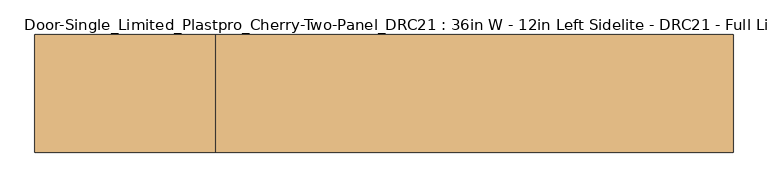
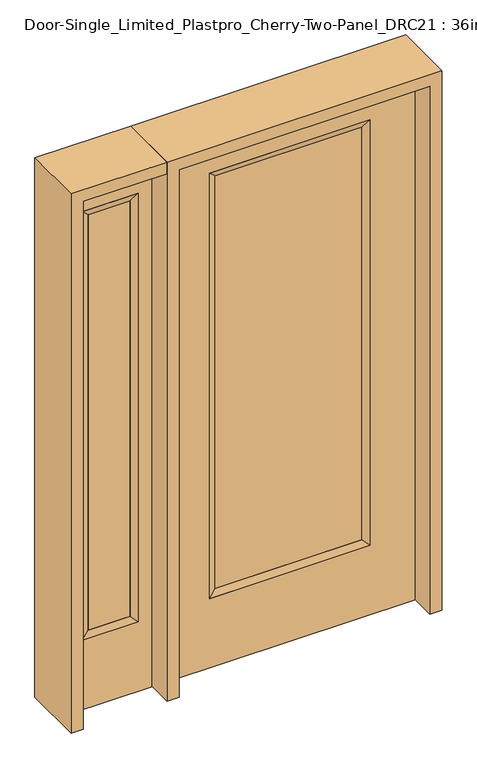
"""IFC4 building model written with IfcOpenShell, lengths in millimetres: door geometry, Door-Single_Limited_Plastpro_Cherry-Two-Panel_DRC21 : 36in W - 12in Left Sidelite - DRC21 - Full Lite - 80in."""

from ifc_helpers import new_model, si_unit, frame, origin, place, context, project, spatial, polyline, outline, extrude, faceted_brep, source, transform, mapped, element, save


def door_single_limited_plastpro_cherry_two_panel_drc21_36in_w_5aa1ccdf(model_context):
    return source(origin(), model_context, "Body", "SolidModel", [
        extrude(outline(polyline([(266.7, -12.7), (-266.7, -12.7), (-266.7, 12.7), (266.7, 12.7), (266.7, -12.7)])), frame((0.0, 0.0, 284.95625), z_axis=(0.0, 0.0, 1.0), x_axis=(1.0, 0.0, 0.0)), (0.0, 0.0, 1.0), 1607.34375),
        faceted_brep([(-292.1, -22.225, 1905.0), (-292.1, 22.225, 1905.0), (-292.1, 22.225, 266.7), (-292.1, -22.225, 266.7), (292.1, 22.225, 266.7), (292.1, -22.225, 266.7), (-266.7, 12.7, 292.1), (266.7, 12.7, 292.1), (292.1, 22.225, 1905.0), (292.1, -22.225, 1905.0), (-266.7, -12.7, 292.1), (266.7, -12.7, 292.1), (-266.7, -12.7, 1879.6), (266.7, -12.7, 1879.6), (-266.7, 12.7, 1879.6), (266.7, 12.7, 1879.6)], [[[0, 1, 2, 3]], [[3, 2, 4, 5]], [[2, 6, 7, 4]], [[5, 4, 8, 9]], [[10, 3, 5, 11]], [[12, 0, 3, 10]], [[11, 5, 9, 13]], [[6, 10, 11, 7]], [[14, 12, 10, 6]], [[7, 11, 13, 15]], [[1, 14, 6, 2]], [[4, 7, 15, 8]], [[9, 8, 1, 0]], [[13, 9, 0, 12]], [[15, 13, 12, 14]], [[8, 15, 14, 1]]]),
        extrude(outline(polyline([(2032.0, 457.2), (2032.0, -457.2), (0.0, -457.2), (0.0, 457.2), (2032.0, 457.2)]), holes=[polyline([(1905.0, -292.1), (1905.0, 292.1), (266.7, 292.1), (266.7, -292.1), (1905.0, -292.1)])]), frame((0.0, -22.225, 0.0), z_axis=(0.0, 1.0, 0.0), x_axis=(0.0, 0.0, 1.0)), (0.0, 0.0, 1.0), 44.45),
        faceted_brep([(-552.45, 20.6375, 1917.7), (-552.45, -20.6375, 1917.7), (-552.45, -20.6375, 266.7), (-552.45, 20.6375, 266.7), (-577.85, -12.7, 1892.3), (-577.85, -12.7, 292.1), (-755.65, -20.6375, 266.7), (-755.65, 20.6375, 266.7), (-577.85, 12.7, 1892.3), (-577.85, 12.7, 292.1), (-730.25, 12.7, 292.1), (-730.25, -12.7, 292.1), (-755.65, -20.6375, 1917.7), (-755.65, 20.6375, 1917.7), (-730.25, 12.7, 1892.3), (-730.25, -12.7, 1892.3)], [[[0, 1, 2, 3]], [[1, 4, 5, 2]], [[3, 2, 6, 7]], [[8, 0, 3, 9]], [[9, 3, 7, 10]], [[4, 8, 9, 5]], [[5, 9, 10, 11]], [[2, 5, 11, 6]], [[7, 6, 12, 13]], [[10, 7, 13, 14]], [[11, 10, 14, 15]], [[6, 11, 15, 12]], [[13, 12, 1, 0]], [[14, 13, 0, 8]], [[15, 14, 8, 4]], [[12, 15, 4, 1]]]),
        extrude(outline(polyline([(0.0, -806.45), (0.0, -501.65), (2032.0, -501.65), (2032.0, -806.45), (0.0, -806.45)]), holes=[polyline([(1917.7, -552.45), (266.7, -552.45), (266.7, -755.65), (1917.7, -755.65), (1917.7, -552.45)])]), frame((0.0, -20.6375, 0.0), z_axis=(0.0, 1.0, 0.0), x_axis=(0.0, 0.0, 1.0)), (0.0, 0.0, 1.0), 41.275),
        extrude(outline(polyline([(-577.85, -12.7), (-730.25, -12.7), (-730.25, 12.7), (-577.85, 12.7), (-577.85, -12.7)])), frame((0.0, 0.0, 292.1), z_axis=(0.0, 0.0, 1.0), x_axis=(1.0, 0.0, 0.0)), (0.0, 0.0, 1.0), 1600.2),
        extrude(outline(polyline([(2032.0, -501.65), (2076.45, -501.65), (2076.45, -850.9), (0.0, -850.9), (0.0, -806.45), (2032.0, -806.45), (2032.0, -501.65)])), frame((0.0, -114.3, 0.0), z_axis=(0.0, 1.0, 0.0), x_axis=(0.0, 0.0, 1.0)), (0.0, 0.0, 1.0), 228.6),
        extrude(outline(polyline([(2076.45, -501.65), (0.0, -501.65), (0.0, -457.2), (2032.0, -457.2), (2032.0, 457.2), (0.0, 457.2), (0.0, 501.65), (2076.45, 501.65), (2076.45, -501.65)])), frame((0.0, -114.3, 0.0), z_axis=(0.0, 1.0, 0.0), x_axis=(0.0, 0.0, 1.0)), (0.0, 0.0, 1.0), 228.6),
    ])


if __name__ == "__main__":
    model = new_model("IFC4")
    model_context = context("Model", 3, world=origin())
    ifc_project = project(units=[si_unit("LENGTHUNIT", "METRE", prefix="MILLI")], contexts=[model_context])
    site = spatial("IfcSite", under=ifc_project)
    building = spatial("IfcBuilding", under=site)
    placement = place(None, origin())
    door_single_limited_plastpro_cherry_two_panel_drc21_36in_w_shape = door_single_limited_plastpro_cherry_two_panel_drc21_36in_w_5aa1ccdf(model_context)
    element("IfcDoor", 1, ObjectType="Door-Single_Limited_Plastpro_Cherry-Two-Panel_DRC21 : 36in W - 12in Left Sidelite - DRC21 - Full Lite - 80in", at=placement, inside=building, context=model_context, shape_type="MappedRepresentation", body=[
        mapped(door_single_limited_plastpro_cherry_two_panel_drc21_36in_w_shape, transform((0.0, 0.0, 0.0), x_axis=(1.0, 0.0, 0.0), y_axis=(0.0, 1.0, 0.0), z_axis=(0.0, 0.0, 1.0))),
    ])
    save(model, "model.ifc")
